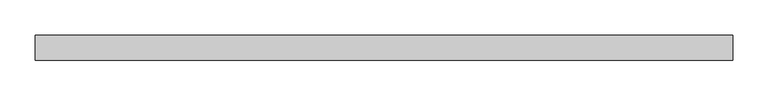
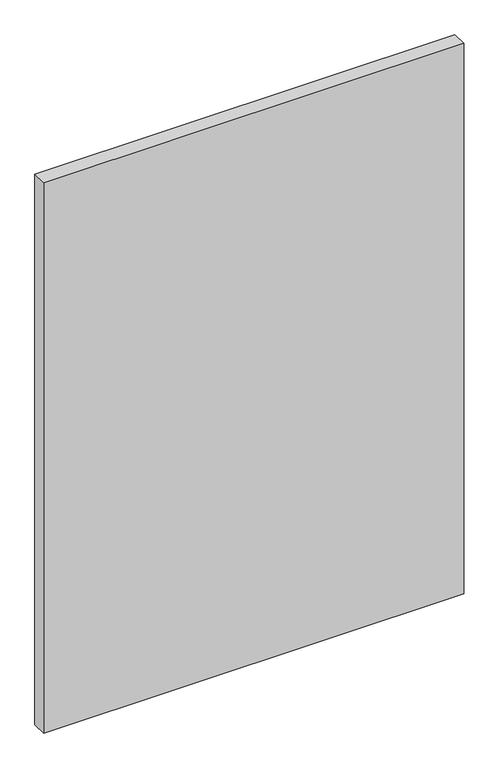
"""IFC4 building model written with IfcOpenShell, lengths in millimetres: plate geometry."""

from ifc_helpers import new_model, si_unit, origin, origin_with_axes, place, context, project, spatial, polyline, outline, extrude, source, transform, mapped, element, save


def plate_122df4b6(model_context):
    return source(origin(), model_context, "Body", "SweptSolid", [
        extrude(outline(polyline([(491.7291667, -17.5), (-491.7291667, -17.5), (-491.7291667, 17.5), (491.7291667, 17.5), (491.7291667, -17.5)])), origin_with_axes(), (0.0, 0.0, 1.0), 1362.5560565),
    ])


if __name__ == "__main__":
    model = new_model("IFC4")
    model_context = context("Model", 3, world=origin())
    ifc_project = project(units=[si_unit("LENGTHUNIT", "METRE", prefix="MILLI")], contexts=[model_context])
    site = spatial("IfcSite", under=ifc_project)
    building = spatial("IfcBuilding", under=site)
    placement = place(None, origin())
    plate_shape = plate_122df4b6(model_context)
    element("IfcPlate", 1, at=placement, inside=building, context=model_context, shape_type="MappedRepresentation", body=[
        mapped(plate_shape, transform((0.0, 0.0, 0.0), x_axis=(1.0, 0.0, 0.0), y_axis=(0.0, 1.0, 0.0), z_axis=(0.0, 0.0, 1.0))),
    ])
    save(model, "model.ifc")
